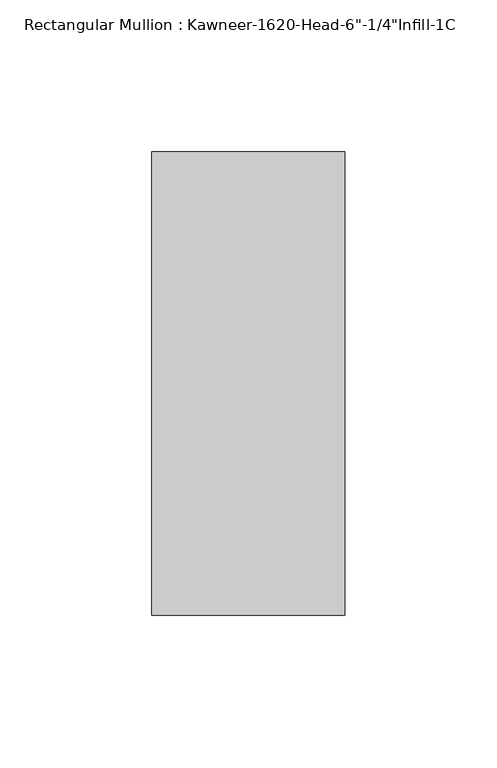
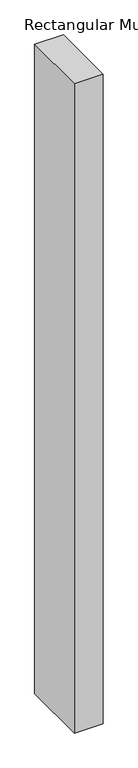
"""IFC4 building model written with IfcOpenShell, lengths in millimetres: member geometry."""

from ifc_helpers import new_model, si_unit, frame, origin, place, context, project, spatial, polyline, outline, extrude, source, transform, mapped, element, save


def member_a264c6b6(model_context):
    return source(origin(), model_context, "Body", "SweptSolid", [
        extrude(outline(polyline([(-22.225, 28.575), (41.275, 28.575), (41.275, -123.825), (-22.225, -123.825), (-22.225, 28.575)])), frame((0.0, 0.0, -1518.5182369), z_axis=(0.0, 0.0, 1.0), x_axis=(1.0, 0.0, 0.0)), (0.0, 0.0, 1.0), 1518.5182369),
    ])


if __name__ == "__main__":
    model = new_model("IFC4")
    model_context = context("Model", 3, world=origin())
    ifc_project = project(units=[si_unit("LENGTHUNIT", "METRE", prefix="MILLI")], contexts=[model_context])
    site = spatial("IfcSite", under=ifc_project)
    building = spatial("IfcBuilding", under=site)
    placement = place(None, origin())
    member_shape = member_a264c6b6(model_context)
    element("IfcMember", 1, ObjectType="Rectangular Mullion : Kawneer-1620-Head-6\"-1/4\"Infill-1C", at=placement, inside=building, context=model_context, shape_type="MappedRepresentation", body=[
        mapped(member_shape, transform((0.0, 0.0, 0.0), x_axis=(1.0, 0.0, 0.0), y_axis=(0.0, 1.0, 0.0), z_axis=(0.0, 0.0, 1.0))),
    ])
    save(model, "model.ifc")
